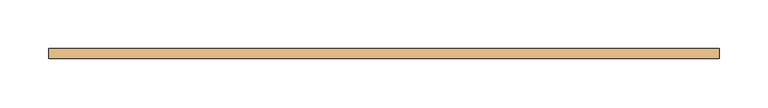
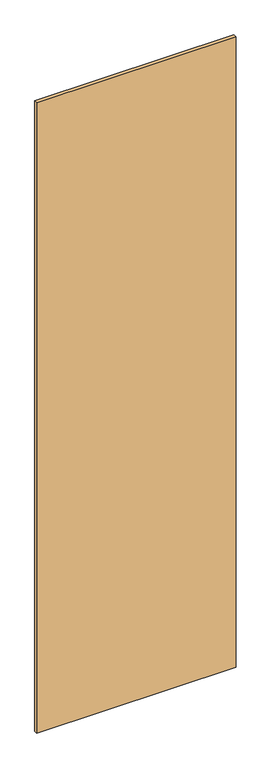
"""IFC4 building model written with IfcOpenShell, lengths in millimetres: door geometry."""

from ifc_helpers import new_model, si_unit, frame, origin, place, context, project, spatial, polyline, outline, extrude, source, transform, mapped, element, save


def door_782b581e(model_context):
    return source(origin(), model_context, "Body", "SweptSolid", [
        extrude(outline(polyline([(342.2222222, 5.0), (342.2222222, -5.0), (-342.2222222, -5.0), (-342.2222222, 5.0), (342.2222222, 5.0)])), frame((0.0, 0.0, 78.0), z_axis=(0.0, 0.0, 1.0), x_axis=(1.0, 0.0, 0.0)), (0.0, 0.0, 1.0), 2286.0),
    ])


if __name__ == "__main__":
    model = new_model("IFC4")
    model_context = context("Model", 3, world=origin())
    ifc_project = project(units=[si_unit("LENGTHUNIT", "METRE", prefix="MILLI")], contexts=[model_context])
    site = spatial("IfcSite", under=ifc_project)
    building = spatial("IfcBuilding", under=site)
    placement = place(None, origin())
    door_shape = door_782b581e(model_context)
    element("IfcDoor", 1, at=placement, inside=building, context=model_context, shape_type="MappedRepresentation", body=[
        mapped(door_shape, transform((0.0, 0.0, 0.0), x_axis=(1.0, 0.0, 0.0), y_axis=(0.0, 1.0, 0.0), z_axis=(0.0, 0.0, 1.0))),
    ])
    save(model, "model.ifc")
